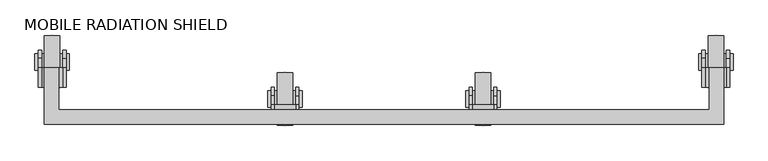
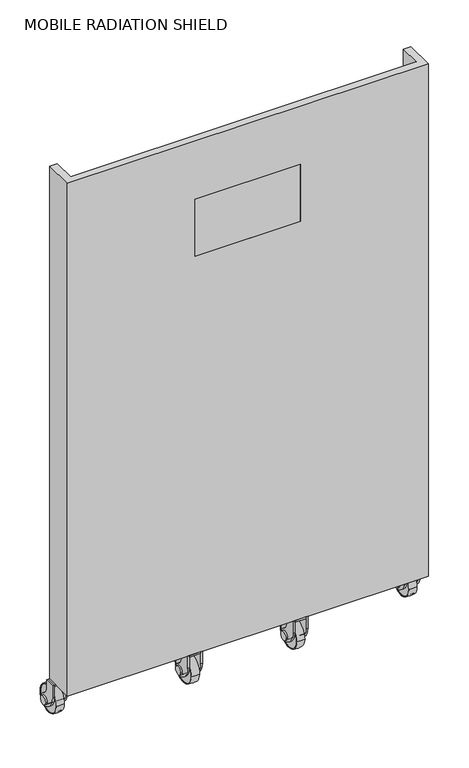
"""IFC4 building model written with IfcOpenShell, lengths in millimetres: proxy geometry, MOBILE RADIATION SHIELD."""

from ifc_helpers import new_model, si_unit, point, frame, frame_2d, origin, place, context, project, spatial, polyline, circle_curve, ellipse_curve, trimmed, segment, composite_curve, outline, extrude, faceted_brep, source, transform, mapped, element, save
from ifc_brep_helpers import plane_surface, revolved_surface, advanced_brep


def mobile_radiation_shield_671ebff6(model_context):
    return source(origin(), model_context, "Body", "SolidModel", [
        advanced_brep(
        [(422.4507982, -522.4953448, 48.0465135), (422.4507982, -616.1074229, 48.0465135), (394.4507982, -616.1074229, 48.0465135), (394.4507982, -522.4953448, 48.0465135), (394.4507982, -524.3013839, 48.0465135), (394.4507982, -614.3013839, 48.0465135), (422.4507982, -614.3013839, 48.0465135), (422.4507982, -524.3013839, 48.0465135)],
        [
            (0, 1, circle_curve(frame((422.4507982, -569.3013839, 48.0465135), z_axis=(-1.0, 0.0, 0.0), x_axis=(0.0, -1.0000000000000007, 0.0)), 46.8060391)),
            (1, 2, circle_curve(frame((408.4507982, -537.7256309, 48.0465135), z_axis=(0.0, 0.0, -1.0), x_axis=(0.0, 1.0000000000000007, 0.0)), 79.6222664)),
            (2, 3, circle_curve(frame((394.4507982, -569.3013839, 48.0465135), z_axis=(1.0, 0.0, 0.0), x_axis=(0.0, -1.0000000000000007, 0.0)), 46.8060391)),
            (3, 0, circle_curve(frame((408.4507982, -600.8771368, 48.0465135), z_axis=(0.0, 0.0, -1.0), x_axis=(0.0, -1.0000000000000007, 0.0)), 79.6222664)),
            (4, 5, circle_curve(frame((394.4507982, -569.3013839, 48.0465135), z_axis=(-1.0, 0.0, 0.0), x_axis=(0.0, -1.0000000000000007, 0.0)), 45.0)),
            (5, 6),
            (6, 7, circle_curve(frame((422.4507982, -569.3013839, 48.0465135), z_axis=(1.0, 0.0, 0.0), x_axis=(0.0, -1.0000000000000007, 0.0)), 45.0)),
            (7, 4),
            (2, 3, circle_curve(frame((394.4507982, -569.3013839, 48.0465135), z_axis=(-1.0, 0.0, 0.0), x_axis=(0.0, 1.0000000000000007, 0.0)), 46.8060391)),
            (4, 5, circle_curve(frame((394.4507982, -569.3013839, 48.0465135), z_axis=(1.0, 0.0, 0.0), x_axis=(0.0, 1.0000000000000007, 0.0)), 45.0)),
            (1, 0, circle_curve(frame((422.4507982, -569.3013839, 48.0465135), z_axis=(-1.0, 0.0, 0.0), x_axis=(0.0, 1.0000000000000007, 0.0)), 46.8060391)),
            (6, 7, circle_curve(frame((422.4507982, -569.3013839, 48.0465135), z_axis=(-1.0, 0.0, 0.0), x_axis=(0.0, 1.0000000000000007, 0.0)), 45.0)),
        ],
        [
            revolved_surface(trimmed(ellipse_curve(frame((408.4507982, -537.7256309, 48.0465135), z_axis=(0.0, 0.0, 1.0), x_axis=(0.0, 1.0000000000000007, 0.0)), 79.6222664, 79.6222664), [point((394.4507982, -616.1074229, 48.0465135))], [point((422.4507982, -616.1074229, 48.0465135))], True, "CARTESIAN"), (414.9735895, -569.3013839, 48.0465135), (1.0000000000000007, 0.0, 0.0)),
            revolved_surface(polyline([(422.4507982, -614.3013839, 48.0465135), (394.4507982, -614.3013839, 48.0465135)]), (414.9735895, -569.3013839, 48.0465135), (1.0000000000000007, 0.0, 0.0)),
            plane_surface(frame((394.4507982, -569.3013839, 48.0465135), z_axis=(-1.0, 0.0, 0.0), x_axis=(0.0, 1.0, 0.0))),
            revolved_surface(trimmed(ellipse_curve(frame((408.4507982, -600.8771368, 48.0465135), z_axis=(0.0, 0.0, -1.0), x_axis=(0.0, -1.0000000000000007, 0.0)), 79.6222664, 79.6222664), [point((394.4507982, -522.4953448, 48.0465135))], [point((422.4507982, -522.4953448, 48.0465135))], True, "CARTESIAN"), (414.9735895, -569.3013839, 48.0465135), (1.0000000000000007, 0.0, 0.0)),
            plane_surface(frame((422.4507982, -569.3013839, 48.0465135), z_axis=(1.0, 0.0, 0.0), x_axis=(0.0, 1.0, 0.0))),
            revolved_surface(polyline([(422.4507982, -524.3013839, 48.0465135), (394.4507982, -524.3013839, 48.0465135)]), (414.9735895, -569.3013839, 48.0465135), (1.0000000000000007, 0.0, 0.0)),
        ],
        [
            (0, [[1, 2, 3, 4]]),
            (1, [[5, 6, 7, 8]]),
            (2, [[9, -3], [10, -5]]),
            (3, [[11, -4, -9, -2]]),
            (4, [[-11, -1], [12, -7]]),
            (5, [[-10, -8, -12, -6]]),
        ],
    ),
        extrude(outline(composite_curve([segment(polyline([(-578.4902199, 29.163577), (-587.2897422, 34.2439835)]), True, "CONTINUOUS"), segment(trimmed(circle_curve(frame_2d((-559.7897422, 81.8753807)), 55.0), [point((-587.2897422, 34.2439835))], [point((-614.7897422, 81.8753807))], False, "CARTESIAN"), True, "CONTINUOUS"), segment(polyline([(-614.7897422, 81.8753807), (-614.7897422, 125.0465135), (-579.7897422, 125.0465135), (-579.7897422, 99.3530944)]), True, "CONTINUOUS"), segment(trimmed(circle_curve(frame_2d((-542.1411214, 99.3530944)), 37.6486207), [point((-579.7897422, 99.3530944))], [point((-563.1880551, 68.1369892))], True, "CARTESIAN"), True, "CONTINUOUS"), segment(trimmed(circle_curve(frame_2d((-569.3013839, 48.0465135)), 21.0), [point((-563.1880551, 68.1369892))], [point((-578.4902199, 29.163577))], False, "CARTESIAN"), True, "CONTINUOUS")], self_intersect=False)), frame((383.4735895, 0.0, 0.0), z_axis=(1.0, 0.0, 0.0), x_axis=(0.0, 1.0, 0.0)), (0.0, 0.0, 1.0), 6.0),
        extrude(outline(polyline([(427.4735895, -614.7897422), (389.4735895, -614.7897422), (389.4735895, -579.7897422), (427.4735895, -579.7897422), (427.4735895, -614.7897422)])), frame((0.0, 0.0, 119.0465135), z_axis=(0.0, 0.0, 1.0), x_axis=(1.0, 0.0, 0.0)), (0.0, 0.0, 1.0), 6.0),
        extrude(outline(composite_curve([segment(polyline([(-578.4902199, 29.163577), (-587.2897422, 34.2439835)]), True, "CONTINUOUS"), segment(trimmed(circle_curve(frame_2d((-559.7897422, 81.8753807)), 55.0), [point((-587.2897422, 34.2439835))], [point((-614.7897422, 81.8753807))], False, "CARTESIAN"), True, "CONTINUOUS"), segment(polyline([(-614.7897422, 81.8753807), (-614.7897422, 125.0465135), (-579.7897422, 125.0465135), (-579.7897422, 99.3530944)]), True, "CONTINUOUS"), segment(trimmed(circle_curve(frame_2d((-542.1411214, 99.3530944)), 37.6486207), [point((-579.7897422, 99.3530944))], [point((-563.1880551, 68.1369892))], True, "CARTESIAN"), True, "CONTINUOUS"), segment(trimmed(circle_curve(frame_2d((-569.3013839, 48.0465135)), 21.0), [point((-563.1880551, 68.1369892))], [point((-578.4902199, 29.163577))], False, "CARTESIAN"), True, "CONTINUOUS")], self_intersect=False)), frame((427.4735895, 0.0, 0.0), z_axis=(1.0, 0.0, 0.0), x_axis=(0.0, 1.0, 0.0)), (0.0, 0.0, 1.0), 6.0),
        extrude(outline(composite_curve([segment(trimmed(circle_curve(frame_2d((-569.3013839, 48.0465135)), 15.0), [point((-584.3013839, 48.0465135))], [point((-554.3013839, 48.0465135))], False, "CARTESIAN"), True, "CONTINUOUS"), segment(trimmed(circle_curve(frame_2d((-569.3013839, 48.0465135)), 15.0), [point((-554.3013839, 48.0465135))], [point((-584.3013839, 48.0465135))], False, "CARTESIAN"), True, "CONTINUOUS")], self_intersect=False)), frame((377.4735895, 0.0, 0.0), z_axis=(1.0, 0.0, 0.0), x_axis=(0.0, 1.0, 0.0)), (0.0, 0.0, 1.0), 62.0),
        extrude(outline(composite_curve([segment(trimmed(circle_curve(frame_2d((-569.3013839, 48.0465135)), 45.0), [point((-614.3013839, 48.0465135))], [point((-524.3013839, 48.0465135))], False, "CARTESIAN"), True, "CONTINUOUS"), segment(trimmed(circle_curve(frame_2d((-569.3013839, 48.0465135)), 45.0), [point((-524.3013839, 48.0465135))], [point((-614.3013839, 48.0465135))], False, "CARTESIAN"), True, "CONTINUOUS")], self_intersect=False)), frame((395.9735895, 0.0, 0.0), z_axis=(1.0, 0.0, 0.0), x_axis=(0.0, 1.0, 0.0)), (0.0, 0.0, 1.0), 25.0),
        advanced_brep(
        [(778.0507982, -522.4953448, 48.0465135), (778.0507982, -616.1074229, 48.0465135), (750.0507982, -616.1074229, 48.0465135), (750.0507982, -522.4953448, 48.0465135), (750.0507982, -524.3013839, 48.0465135), (750.0507982, -614.3013839, 48.0465135), (778.0507982, -614.3013839, 48.0465135), (778.0507982, -524.3013839, 48.0465135)],
        [
            (0, 1, circle_curve(frame((778.0507982, -569.3013839, 48.0465135), z_axis=(-1.0, 0.0, 0.0), x_axis=(0.0, -1.0000000000000007, 0.0)), 46.8060391)),
            (1, 2, circle_curve(frame((764.0507982, -537.7256309, 48.0465135), z_axis=(0.0, 0.0, -1.0), x_axis=(0.0, 1.0000000000000007, 0.0)), 79.6222664)),
            (2, 3, circle_curve(frame((750.0507982, -569.3013839, 48.0465135), z_axis=(1.0, 0.0, 0.0), x_axis=(0.0, -1.0000000000000007, 0.0)), 46.8060391)),
            (3, 0, circle_curve(frame((764.0507982, -600.8771368, 48.0465135), z_axis=(0.0, 0.0, -1.0), x_axis=(0.0, -1.0000000000000007, 0.0)), 79.6222664)),
            (4, 5, circle_curve(frame((750.0507982, -569.3013839, 48.0465135), z_axis=(-1.0, 0.0, 0.0), x_axis=(0.0, -1.0000000000000007, 0.0)), 45.0)),
            (5, 6),
            (6, 7, circle_curve(frame((778.0507982, -569.3013839, 48.0465135), z_axis=(1.0, 0.0, 0.0), x_axis=(0.0, -1.0000000000000007, 0.0)), 45.0)),
            (7, 4),
            (2, 3, circle_curve(frame((750.0507982, -569.3013839, 48.0465135), z_axis=(-1.0, 0.0, 0.0), x_axis=(0.0, 1.0000000000000007, 0.0)), 46.8060391)),
            (4, 5, circle_curve(frame((750.0507982, -569.3013839, 48.0465135), z_axis=(1.0, 0.0, 0.0), x_axis=(0.0, 1.0000000000000007, 0.0)), 45.0)),
            (1, 0, circle_curve(frame((778.0507982, -569.3013839, 48.0465135), z_axis=(-1.0, 0.0, 0.0), x_axis=(0.0, 1.0000000000000007, 0.0)), 46.8060391)),
            (6, 7, circle_curve(frame((778.0507982, -569.3013839, 48.0465135), z_axis=(-1.0, 0.0, 0.0), x_axis=(0.0, 1.0000000000000007, 0.0)), 45.0)),
        ],
        [
            revolved_surface(trimmed(ellipse_curve(frame((764.0507982, -537.7256309, 48.0465135), z_axis=(0.0, 0.0, 1.0), x_axis=(0.0, 1.0000000000000007, 0.0)), 79.6222664, 79.6222664), [point((750.0507982, -616.1074229, 48.0465135))], [point((778.0507982, -616.1074229, 48.0465135))], True, "CARTESIAN"), (770.5735895, -569.3013839, 48.0465135), (1.0000000000000007, 0.0, 0.0)),
            revolved_surface(polyline([(778.0507982, -614.3013839, 48.0465135), (750.0507982, -614.3013839, 48.0465135)]), (770.5735895, -569.3013839, 48.0465135), (1.0000000000000007, 0.0, 0.0)),
            plane_surface(frame((750.0507982, -569.3013839, 48.0465135), z_axis=(-1.0, 0.0, 0.0), x_axis=(0.0, 1.0, 0.0))),
            revolved_surface(trimmed(ellipse_curve(frame((764.0507982, -600.8771368, 48.0465135), z_axis=(0.0, 0.0, -1.0), x_axis=(0.0, -1.0000000000000007, 0.0)), 79.6222664, 79.6222664), [point((750.0507982, -522.4953448, 48.0465135))], [point((778.0507982, -522.4953448, 48.0465135))], True, "CARTESIAN"), (770.5735895, -569.3013839, 48.0465135), (1.0000000000000007, 0.0, 0.0)),
            plane_surface(frame((778.0507982, -569.3013839, 48.0465135), z_axis=(1.0, 0.0, 0.0), x_axis=(0.0, 1.0, 0.0))),
            revolved_surface(polyline([(778.0507982, -524.3013839, 48.0465135), (750.0507982, -524.3013839, 48.0465135)]), (770.5735895, -569.3013839, 48.0465135), (1.0000000000000007, 0.0, 0.0)),
        ],
        [
            (0, [[1, 2, 3, 4]]),
            (1, [[5, 6, 7, 8]]),
            (2, [[9, -3], [10, -5]]),
            (3, [[11, -4, -9, -2]]),
            (4, [[-11, -1], [12, -7]]),
            (5, [[-10, -8, -12, -6]]),
        ],
    ),
        extrude(outline(composite_curve([segment(polyline([(-578.4902199, 29.163577), (-587.2897422, 34.2439835)]), True, "CONTINUOUS"), segment(trimmed(circle_curve(frame_2d((-559.7897422, 81.8753807)), 55.0), [point((-587.2897422, 34.2439835))], [point((-614.7897422, 81.8753807))], False, "CARTESIAN"), True, "CONTINUOUS"), segment(polyline([(-614.7897422, 81.8753807), (-614.7897422, 125.0465135), (-579.7897422, 125.0465135), (-579.7897422, 99.3530944)]), True, "CONTINUOUS"), segment(trimmed(circle_curve(frame_2d((-542.1411214, 99.3530944)), 37.6486207), [point((-579.7897422, 99.3530944))], [point((-563.1880551, 68.1369892))], True, "CARTESIAN"), True, "CONTINUOUS"), segment(trimmed(circle_curve(frame_2d((-569.3013839, 48.0465135)), 21.0), [point((-563.1880551, 68.1369892))], [point((-578.4902199, 29.163577))], False, "CARTESIAN"), True, "CONTINUOUS")], self_intersect=False)), frame((739.0735895, 0.0, 0.0), z_axis=(1.0, 0.0, 0.0), x_axis=(0.0, 1.0, 0.0)), (0.0, 0.0, 1.0), 6.0),
        extrude(outline(polyline([(783.0735895, -614.7897422), (745.0735895, -614.7897422), (745.0735895, -579.7897422), (783.0735895, -579.7897422), (783.0735895, -614.7897422)])), frame((0.0, 0.0, 119.0465135), z_axis=(0.0, 0.0, 1.0), x_axis=(1.0, 0.0, 0.0)), (0.0, 0.0, 1.0), 6.0),
        extrude(outline(composite_curve([segment(polyline([(-578.4902199, 29.163577), (-587.2897422, 34.2439835)]), True, "CONTINUOUS"), segment(trimmed(circle_curve(frame_2d((-559.7897422, 81.8753807)), 55.0), [point((-587.2897422, 34.2439835))], [point((-614.7897422, 81.8753807))], False, "CARTESIAN"), True, "CONTINUOUS"), segment(polyline([(-614.7897422, 81.8753807), (-614.7897422, 125.0465135), (-579.7897422, 125.0465135), (-579.7897422, 99.3530944)]), True, "CONTINUOUS"), segment(trimmed(circle_curve(frame_2d((-542.1411214, 99.3530944)), 37.6486207), [point((-579.7897422, 99.3530944))], [point((-563.1880551, 68.1369892))], True, "CARTESIAN"), True, "CONTINUOUS"), segment(trimmed(circle_curve(frame_2d((-569.3013839, 48.0465135)), 21.0), [point((-563.1880551, 68.1369892))], [point((-578.4902199, 29.163577))], False, "CARTESIAN"), True, "CONTINUOUS")], self_intersect=False)), frame((783.0735895, 0.0, 0.0), z_axis=(1.0, 0.0, 0.0), x_axis=(0.0, 1.0, 0.0)), (0.0, 0.0, 1.0), 6.0),
        extrude(outline(composite_curve([segment(trimmed(circle_curve(frame_2d((-569.3013839, 48.0465135)), 15.0), [point((-584.3013839, 48.0465135))], [point((-554.3013839, 48.0465135))], False, "CARTESIAN"), True, "CONTINUOUS"), segment(trimmed(circle_curve(frame_2d((-569.3013839, 48.0465135)), 15.0), [point((-554.3013839, 48.0465135))], [point((-584.3013839, 48.0465135))], False, "CARTESIAN"), True, "CONTINUOUS")], self_intersect=False)), frame((733.0735895, 0.0, 0.0), z_axis=(1.0, 0.0, 0.0), x_axis=(0.0, 1.0, 0.0)), (0.0, 0.0, 1.0), 62.0),
        extrude(outline(composite_curve([segment(trimmed(circle_curve(frame_2d((-569.3013839, 48.0465135)), 45.0), [point((-614.3013839, 48.0465135))], [point((-524.3013839, 48.0465135))], False, "CARTESIAN"), True, "CONTINUOUS"), segment(trimmed(circle_curve(frame_2d((-569.3013839, 48.0465135)), 45.0), [point((-524.3013839, 48.0465135))], [point((-614.3013839, 48.0465135))], False, "CARTESIAN"), True, "CONTINUOUS")], self_intersect=False)), frame((751.5735895, 0.0, 0.0), z_axis=(1.0, 0.0, 0.0), x_axis=(0.0, 1.0, 0.0)), (0.0, 0.0, 1.0), 25.0),
        advanced_brep(
        [(1195.8735895, -455.8953448, 48.0465135), (1195.8735895, -549.5074229, 48.0465135), (1167.8735895, -549.5074229, 48.0465135), (1167.8735895, -455.8953448, 48.0465135), (1167.8735895, -457.7013839, 48.0465135), (1167.8735895, -547.7013839, 48.0465135), (1195.8735895, -547.7013839, 48.0465135), (1195.8735895, -457.7013839, 48.0465135)],
        [
            (0, 1, circle_curve(frame((1195.8735895, -502.7013839, 48.0465135), z_axis=(-1.0, 0.0, 0.0), x_axis=(0.0, -1.0000000000000007, 0.0)), 46.8060391)),
            (1, 2, circle_curve(frame((1181.8735895, -471.1256309, 48.0465135), z_axis=(0.0, 0.0, -1.0), x_axis=(0.0, 1.0000000000000007, 0.0)), 79.6222664)),
            (2, 3, circle_curve(frame((1167.8735895, -502.7013839, 48.0465135), z_axis=(1.0, 0.0, 0.0), x_axis=(0.0, -1.0000000000000007, 0.0)), 46.8060391)),
            (3, 0, circle_curve(frame((1181.8735895, -534.2771368, 48.0465135), z_axis=(0.0, 0.0, -1.0), x_axis=(0.0, -1.0000000000000007, 0.0)), 79.6222664)),
            (4, 5, circle_curve(frame((1167.8735895, -502.7013839, 48.0465135), z_axis=(-1.0, 0.0, 0.0), x_axis=(0.0, -1.0000000000000007, 0.0)), 45.0)),
            (5, 6),
            (6, 7, circle_curve(frame((1195.8735895, -502.7013839, 48.0465135), z_axis=(1.0, 0.0, 0.0), x_axis=(0.0, -1.0000000000000007, 0.0)), 45.0)),
            (7, 4),
            (2, 3, circle_curve(frame((1167.8735895, -502.7013839, 48.0465135), z_axis=(-1.0, 0.0, 0.0), x_axis=(0.0, 1.0000000000000007, 0.0)), 46.8060391)),
            (4, 5, circle_curve(frame((1167.8735895, -502.7013839, 48.0465135), z_axis=(1.0, 0.0, 0.0), x_axis=(0.0, 1.0000000000000007, 0.0)), 45.0)),
            (1, 0, circle_curve(frame((1195.8735895, -502.7013839, 48.0465135), z_axis=(-1.0, 0.0, 0.0), x_axis=(0.0, 1.0000000000000007, 0.0)), 46.8060391)),
            (6, 7, circle_curve(frame((1195.8735895, -502.7013839, 48.0465135), z_axis=(-1.0, 0.0, 0.0), x_axis=(0.0, 1.0000000000000007, 0.0)), 45.0)),
        ],
        [
            revolved_surface(trimmed(ellipse_curve(frame((1181.8735895, -471.1256309, 48.0465135), z_axis=(0.0, 0.0, 1.0), x_axis=(0.0, 1.0000000000000007, 0.0)), 79.6222664, 79.6222664), [point((1167.8735895, -549.5074229, 48.0465135))], [point((1195.8735895, -549.5074229, 48.0465135))], True, "CARTESIAN"), (1188.3963809, -502.7013839, 48.0465135), (1.0000000000000007, 0.0, 0.0)),
            revolved_surface(polyline([(1195.8735895, -547.7013839, 48.0465135), (1167.8735895, -547.7013839, 48.0465135)]), (1188.3963809, -502.7013839, 48.0465135), (1.0000000000000007, 0.0, 0.0)),
            plane_surface(frame((1167.8735895, -502.7013839, 48.0465135), z_axis=(-1.0, 0.0, 0.0), x_axis=(0.0, 1.0, 0.0))),
            revolved_surface(trimmed(ellipse_curve(frame((1181.8735895, -534.2771368, 48.0465135), z_axis=(0.0, 0.0, -1.0), x_axis=(0.0, -1.0000000000000007, 0.0)), 79.6222664, 79.6222664), [point((1167.8735895, -455.8953448, 48.0465135))], [point((1195.8735895, -455.8953448, 48.0465135))], True, "CARTESIAN"), (1188.3963809, -502.7013839, 48.0465135), (1.0000000000000007, 0.0, 0.0)),
            plane_surface(frame((1195.8735895, -502.7013839, 48.0465135), z_axis=(1.0, 0.0, 0.0), x_axis=(0.0, 1.0, 0.0))),
            revolved_surface(polyline([(1195.8735895, -457.7013839, 48.0465135), (1167.8735895, -457.7013839, 48.0465135)]), (1188.3963809, -502.7013839, 48.0465135), (1.0000000000000007, 0.0, 0.0)),
        ],
        [
            (0, [[1, 2, 3, 4]]),
            (1, [[5, 6, 7, 8]]),
            (2, [[9, -3], [10, -5]]),
            (3, [[11, -4, -9, -2]]),
            (4, [[-11, -1], [12, -7]]),
            (5, [[-10, -8, -12, -6]]),
        ],
    ),
        extrude(outline(composite_curve([segment(polyline([(-511.8902199, 29.163577), (-520.6897422, 34.2439835)]), True, "CONTINUOUS"), segment(trimmed(circle_curve(frame_2d((-493.1897422, 81.8753807)), 55.0), [point((-520.6897422, 34.2439835))], [point((-548.1897422, 81.8753807))], False, "CARTESIAN"), True, "CONTINUOUS"), segment(polyline([(-548.1897422, 81.8753807), (-548.1897422, 125.0465135), (-513.1897422, 125.0465135), (-513.1897422, 99.3530944)]), True, "CONTINUOUS"), segment(trimmed(circle_curve(frame_2d((-475.5411214, 99.3530944)), 37.6486207), [point((-513.1897422, 99.3530944))], [point((-496.5880551, 68.1369892))], True, "CARTESIAN"), True, "CONTINUOUS"), segment(trimmed(circle_curve(frame_2d((-502.7013839, 48.0465135)), 21.0), [point((-496.5880551, 68.1369892))], [point((-511.8902199, 29.163577))], False, "CARTESIAN"), True, "CONTINUOUS")], self_intersect=False)), frame((1156.8963809, 0.0, 0.0), z_axis=(1.0, 0.0, 0.0), x_axis=(0.0, 1.0, 0.0)), (0.0, 0.0, 1.0), 6.0),
        extrude(outline(polyline([(1200.8963809, -548.1897422), (1162.8963809, -548.1897422), (1162.8963809, -513.1897422), (1200.8963809, -513.1897422), (1200.8963809, -548.1897422)])), frame((0.0, 0.0, 119.0465135), z_axis=(0.0, 0.0, 1.0), x_axis=(1.0, 0.0, 0.0)), (0.0, 0.0, 1.0), 6.0),
        extrude(outline(composite_curve([segment(polyline([(-511.8902199, 29.163577), (-520.6897422, 34.2439835)]), True, "CONTINUOUS"), segment(trimmed(circle_curve(frame_2d((-493.1897422, 81.8753807)), 55.0), [point((-520.6897422, 34.2439835))], [point((-548.1897422, 81.8753807))], False, "CARTESIAN"), True, "CONTINUOUS"), segment(polyline([(-548.1897422, 81.8753807), (-548.1897422, 125.0465135), (-513.1897422, 125.0465135), (-513.1897422, 99.3530944)]), True, "CONTINUOUS"), segment(trimmed(circle_curve(frame_2d((-475.5411214, 99.3530944)), 37.6486207), [point((-513.1897422, 99.3530944))], [point((-496.5880551, 68.1369892))], True, "CARTESIAN"), True, "CONTINUOUS"), segment(trimmed(circle_curve(frame_2d((-502.7013839, 48.0465135)), 21.0), [point((-496.5880551, 68.1369892))], [point((-511.8902199, 29.163577))], False, "CARTESIAN"), True, "CONTINUOUS")], self_intersect=False)), frame((1200.8963809, 0.0, 0.0), z_axis=(1.0, 0.0, 0.0), x_axis=(0.0, 1.0, 0.0)), (0.0, 0.0, 1.0), 6.0),
        extrude(outline(composite_curve([segment(trimmed(circle_curve(frame_2d((-502.7013839, 48.0465135)), 15.0), [point((-517.7013839, 48.0465135))], [point((-487.7013839, 48.0465135))], False, "CARTESIAN"), True, "CONTINUOUS"), segment(trimmed(circle_curve(frame_2d((-502.7013839, 48.0465135)), 15.0), [point((-487.7013839, 48.0465135))], [point((-517.7013839, 48.0465135))], False, "CARTESIAN"), True, "CONTINUOUS")], self_intersect=False)), frame((1150.8963809, 0.0, 0.0), z_axis=(1.0, 0.0, 0.0), x_axis=(0.0, 1.0, 0.0)), (0.0, 0.0, 1.0), 62.0),
        extrude(outline(composite_curve([segment(trimmed(circle_curve(frame_2d((-502.7013839, 48.0465135)), 45.0), [point((-547.7013839, 48.0465135))], [point((-457.7013839, 48.0465135))], False, "CARTESIAN"), True, "CONTINUOUS"), segment(trimmed(circle_curve(frame_2d((-502.7013839, 48.0465135)), 45.0), [point((-457.7013839, 48.0465135))], [point((-547.7013839, 48.0465135))], False, "CARTESIAN"), True, "CONTINUOUS")], self_intersect=False)), frame((1169.3963809, 0.0, 0.0), z_axis=(1.0, 0.0, 0.0), x_axis=(0.0, 1.0, 0.0)), (0.0, 0.0, 1.0), 25.0),
        advanced_brep(
        [(4.6735895, -455.8953448, 48.0465135), (4.6735895, -549.5074229, 48.0465135), (-23.3264105, -549.5074229, 48.0465135), (-23.3264105, -455.8953448, 48.0465135), (-23.3264105, -457.7013839, 48.0465135), (-23.3264105, -547.7013839, 48.0465135), (4.6735895, -547.7013839, 48.0465135), (4.6735895, -457.7013839, 48.0465135)],
        [
            (0, 1, circle_curve(frame((4.6735895, -502.7013839, 48.0465135), z_axis=(-1.0, 0.0, 0.0), x_axis=(0.0, -1.0000000000000007, 0.0)), 46.8060391)),
            (1, 2, circle_curve(frame((-9.3264105, -471.1256309, 48.0465135), z_axis=(0.0, 0.0, -1.0), x_axis=(0.0, 1.0000000000000007, 0.0)), 79.6222664)),
            (2, 3, circle_curve(frame((-23.3264105, -502.7013839, 48.0465135), z_axis=(1.0, 0.0, 0.0), x_axis=(0.0, -1.0000000000000007, 0.0)), 46.8060391)),
            (3, 0, circle_curve(frame((-9.3264105, -534.2771368, 48.0465135), z_axis=(0.0, 0.0, -1.0), x_axis=(0.0, -1.0000000000000007, 0.0)), 79.6222664)),
            (4, 5, circle_curve(frame((-23.3264105, -502.7013839, 48.0465135), z_axis=(-1.0, 0.0, 0.0), x_axis=(0.0, -1.0000000000000007, 0.0)), 45.0)),
            (5, 6),
            (6, 7, circle_curve(frame((4.6735895, -502.7013839, 48.0465135), z_axis=(1.0, 0.0, 0.0), x_axis=(0.0, -1.0000000000000007, 0.0)), 45.0)),
            (7, 4),
            (2, 3, circle_curve(frame((-23.3264105, -502.7013839, 48.0465135), z_axis=(-1.0, 0.0, 0.0), x_axis=(0.0, 1.0000000000000007, 0.0)), 46.8060391)),
            (4, 5, circle_curve(frame((-23.3264105, -502.7013839, 48.0465135), z_axis=(1.0, 0.0, 0.0), x_axis=(0.0, 1.0000000000000007, 0.0)), 45.0)),
            (1, 0, circle_curve(frame((4.6735895, -502.7013839, 48.0465135), z_axis=(-1.0, 0.0, 0.0), x_axis=(0.0, 1.0000000000000007, 0.0)), 46.8060391)),
            (6, 7, circle_curve(frame((4.6735895, -502.7013839, 48.0465135), z_axis=(-1.0, 0.0, 0.0), x_axis=(0.0, 1.0000000000000007, 0.0)), 45.0)),
        ],
        [
            revolved_surface(trimmed(ellipse_curve(frame((-9.3264105, -471.1256309, 48.0465135), z_axis=(0.0, 0.0, 1.0), x_axis=(0.0, 1.0000000000000007, 0.0)), 79.6222664, 79.6222664), [point((-23.3264105, -549.5074229, 48.0465135))], [point((4.6735895, -549.5074229, 48.0465135))], True, "CARTESIAN"), (-2.8036191, -502.7013839, 48.0465135), (1.0000000000000007, 0.0, 0.0)),
            revolved_surface(polyline([(4.673589500000011, -547.7013839, 48.0465135), (-23.32641050000003, -547.7013839, 48.0465135)]), (-2.8036191, -502.7013839, 48.0465135), (1.0000000000000007, 0.0, 0.0)),
            plane_surface(frame((-23.3264105, -502.7013839, 48.0465135), z_axis=(-1.0, 0.0, 0.0), x_axis=(0.0, 1.0, 0.0))),
            revolved_surface(trimmed(ellipse_curve(frame((-9.3264105, -534.2771368, 48.0465135), z_axis=(0.0, 0.0, -1.0), x_axis=(0.0, -1.0000000000000007, 0.0)), 79.6222664, 79.6222664), [point((-23.3264105, -455.8953448, 48.0465135))], [point((4.6735895, -455.8953448, 48.0465135))], True, "CARTESIAN"), (-2.8036191, -502.7013839, 48.0465135), (1.0000000000000007, 0.0, 0.0)),
            plane_surface(frame((4.6735895, -502.7013839, 48.0465135), z_axis=(1.0, 0.0, 0.0), x_axis=(0.0, 1.0, 0.0))),
            revolved_surface(polyline([(4.673589500000011, -457.7013839, 48.0465135), (-23.32641050000003, -457.7013839, 48.0465135)]), (-2.8036191, -502.7013839, 48.0465135), (1.0000000000000007, 0.0, 0.0)),
        ],
        [
            (0, [[1, 2, 3, 4]]),
            (1, [[5, 6, 7, 8]]),
            (2, [[9, -3], [10, -5]]),
            (3, [[11, -4, -9, -2]]),
            (4, [[-11, -1], [12, -7]]),
            (5, [[-10, -8, -12, -6]]),
        ],
    ),
        extrude(outline(composite_curve([segment(polyline([(-511.8902199, 29.163577), (-520.6897422, 34.2439835)]), True, "CONTINUOUS"), segment(trimmed(circle_curve(frame_2d((-493.1897422, 81.8753807)), 55.0), [point((-520.6897422, 34.2439835))], [point((-548.1897422, 81.8753807))], False, "CARTESIAN"), True, "CONTINUOUS"), segment(polyline([(-548.1897422, 81.8753807), (-548.1897422, 125.0465135), (-513.1897422, 125.0465135), (-513.1897422, 99.3530944)]), True, "CONTINUOUS"), segment(trimmed(circle_curve(frame_2d((-475.5411214, 99.3530944)), 37.6486207), [point((-513.1897422, 99.3530944))], [point((-496.5880551, 68.1369892))], True, "CARTESIAN"), True, "CONTINUOUS"), segment(trimmed(circle_curve(frame_2d((-502.7013839, 48.0465135)), 21.0), [point((-496.5880551, 68.1369892))], [point((-511.8902199, 29.163577))], False, "CARTESIAN"), True, "CONTINUOUS")], self_intersect=False)), frame((-34.3036191, 0.0, 0.0), z_axis=(1.0, 0.0, 0.0), x_axis=(0.0, 1.0, 0.0)), (0.0, 0.0, 1.0), 6.0),
        extrude(outline(polyline([(9.6963809, -548.1897422), (-28.3036191, -548.1897422), (-28.3036191, -513.1897422), (9.6963809, -513.1897422), (9.6963809, -548.1897422)])), frame((0.0, 0.0, 119.0465135), z_axis=(0.0, 0.0, 1.0), x_axis=(1.0, 0.0, 0.0)), (0.0, 0.0, 1.0), 6.0),
        extrude(outline(composite_curve([segment(polyline([(-511.8902199, 29.163577), (-520.6897422, 34.2439835)]), True, "CONTINUOUS"), segment(trimmed(circle_curve(frame_2d((-493.1897422, 81.8753807)), 55.0), [point((-520.6897422, 34.2439835))], [point((-548.1897422, 81.8753807))], False, "CARTESIAN"), True, "CONTINUOUS"), segment(polyline([(-548.1897422, 81.8753807), (-548.1897422, 125.0465135), (-513.1897422, 125.0465135), (-513.1897422, 99.3530944)]), True, "CONTINUOUS"), segment(trimmed(circle_curve(frame_2d((-475.5411214, 99.3530944)), 37.6486207), [point((-513.1897422, 99.3530944))], [point((-496.5880551, 68.1369892))], True, "CARTESIAN"), True, "CONTINUOUS"), segment(trimmed(circle_curve(frame_2d((-502.7013839, 48.0465135)), 21.0), [point((-496.5880551, 68.1369892))], [point((-511.8902199, 29.163577))], False, "CARTESIAN"), True, "CONTINUOUS")], self_intersect=False)), frame((9.6963809, 0.0, 0.0), z_axis=(1.0, 0.0, 0.0), x_axis=(0.0, 1.0, 0.0)), (0.0, 0.0, 1.0), 6.0),
        extrude(outline(composite_curve([segment(trimmed(circle_curve(frame_2d((-502.7013839, 48.0465135)), 15.0), [point((-517.7013839, 48.0465135))], [point((-487.7013839, 48.0465135))], False, "CARTESIAN"), True, "CONTINUOUS"), segment(trimmed(circle_curve(frame_2d((-502.7013839, 48.0465135)), 15.0), [point((-487.7013839, 48.0465135))], [point((-517.7013839, 48.0465135))], False, "CARTESIAN"), True, "CONTINUOUS")], self_intersect=False)), frame((-40.3036191, 0.0, 0.0), z_axis=(1.0, 0.0, 0.0), x_axis=(0.0, 1.0, 0.0)), (0.0, 0.0, 1.0), 62.0),
        extrude(outline(composite_curve([segment(trimmed(circle_curve(frame_2d((-502.7013839, 48.0465135)), 45.0), [point((-547.7013839, 48.0465135))], [point((-457.7013839, 48.0465135))], False, "CARTESIAN"), True, "CONTINUOUS"), segment(trimmed(circle_curve(frame_2d((-502.7013839, 48.0465135)), 45.0), [point((-457.7013839, 48.0465135))], [point((-547.7013839, 48.0465135))], False, "CARTESIAN"), True, "CONTINUOUS")], self_intersect=False)), frame((-21.8036191, 0.0, 0.0), z_axis=(1.0, 0.0, 0.0), x_axis=(0.0, 1.0, 0.0)), (0.0, 0.0, 1.0), 25.0),
        extrude(outline(polyline([(408.4735895, -589.3897422), (764.0735895, -589.3897422), (764.0735895, -614.7897422), (408.4735895, -614.7897422), (408.4735895, -589.3897422)])), frame((0.0, 0.0, 1543.05), z_axis=(0.0, 0.0, 1.0), x_axis=(1.0, 0.0, 0.0)), (0.0, 0.0, 1.0), 203.2),
        faceted_brep([(2.0735895, -513.1897422, 1953.8465135), (-23.3264105, -513.1897422, 1953.8465135), (-23.3264105, -614.7897422, 1953.8465135), (1195.8735895, -614.7897422, 1953.8465135), (1195.8735895, -513.1897422, 1953.8465135), (1170.4735895, -513.1897422, 1953.8465135), (1170.4735895, -589.3897422, 1953.8465135), (2.0735895, -589.3897422, 1953.8465135), (2.0735895, -513.1897422, 125.0465135), (2.0735895, -589.3897422, 125.0465135), (1170.4735895, -589.3897422, 125.0465135), (1170.4735895, -513.1897422, 125.0465135), (1195.8735895, -513.1897422, 125.0465135), (1195.8735895, -614.7897422, 125.0465135), (-23.3264105, -614.7897422, 125.0465135), (-23.3264105, -513.1897422, 125.0465135), (408.4735895, -614.7897422, 1746.25), (764.0735895, -614.7897422, 1746.25), (764.0735895, -614.7897422, 1543.05), (408.4735895, -614.7897422, 1543.05), (764.0735895, -589.3897422, 1746.25), (408.4735895, -589.3897422, 1746.25), (408.4735895, -589.3897422, 1543.05), (764.0735895, -589.3897422, 1543.05)], [[[0, 1, 2, 3, 4, 5, 6, 7]], [[8, 9, 10, 11, 12, 13, 14, 15]], [[1, 0, 8, 15]], [[2, 1, 15, 14]], [[3, 2, 14, 13], [16, 17, 18, 19]], [[4, 3, 13, 12]], [[5, 4, 12, 11]], [[6, 5, 11, 10]], [[7, 6, 10, 9], [20, 21, 22, 23]], [[0, 7, 9, 8]], [[16, 21, 20, 17]], [[21, 16, 19, 22]], [[22, 19, 18, 23]], [[17, 20, 23, 18]]]),
    ])


if __name__ == "__main__":
    model = new_model("IFC4")
    model_context = context("Model", 3, world=origin())
    ifc_project = project(units=[si_unit("LENGTHUNIT", "METRE", prefix="MILLI")], contexts=[model_context])
    site = spatial("IfcSite", under=ifc_project)
    building = spatial("IfcBuilding", under=site)
    placement = place(None, origin())
    mobile_radiation_shield_shape = mobile_radiation_shield_671ebff6(model_context)
    element("IfcBuildingElementProxy", 1, Name="MOBILE RADIATION SHIELD", ObjectType="MOBILE RADIATION SHIELD", at=placement, inside=building, context=model_context, shape_type="MappedRepresentation", body=[
        mapped(mobile_radiation_shield_shape, transform((0.0, 0.0, 0.0), x_axis=(1.0, 0.0, 0.0), y_axis=(0.0, 1.0, 0.0), z_axis=(0.0, 0.0, 1.0))),
    ])
    save(model, "model.ifc")
